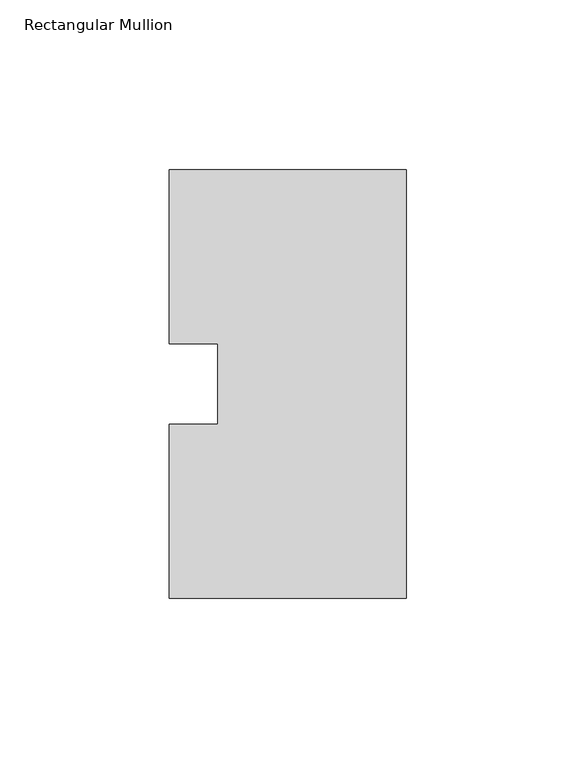
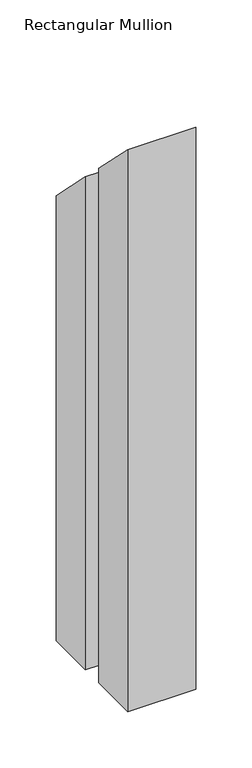
"""IFC4 building model written with IfcOpenShell, lengths in millimetres: member geometry, Rectangular Mullion."""

from ifc_helpers import new_model, si_unit, origin, place, context, project, spatial, faceted_brep, source, transform, mapped, element, save


def rectangular_mullion_be2de5e0(model_context):
    return source(origin(), model_context, "Body", "Brep", [
        faceted_brep([(-69.85, 0.26035, -609.6), (-69.85, 51.60645, -609.6), (-55.5625, 51.60645, -609.6), (-55.5625, 75.40625, -609.6), (-69.85, 75.40625, -609.6), (-69.85, 126.75235, -609.6), (0.0, 126.75235, -609.6), (0.0, 0.26035, -609.6), (0.0, 0.26035, -0.26035), (-69.85, 0.26035, -0.26035), (0.0, 126.75235, -126.75235), (-69.85, 126.75235, -126.75235), (-69.85, 75.40625, -75.40625), (-55.5625, 75.40625, -75.40625), (-55.5625, 51.60645, -51.60645), (-69.85, 51.60645, -51.60645)], [[[0, 1, 2, 3, 4, 5, 6, 7]], [[8, 9, 0, 7]], [[10, 8, 7, 6]], [[11, 10, 6, 5]], [[12, 11, 5, 4]], [[13, 12, 4, 3]], [[14, 13, 3, 2]], [[15, 14, 2, 1]], [[9, 15, 1, 0]], [[9, 8, 10, 11, 12, 13, 14, 15]]]),
    ])


if __name__ == "__main__":
    model = new_model("IFC4")
    model_context = context("Model", 3, world=origin())
    ifc_project = project(units=[si_unit("LENGTHUNIT", "METRE", prefix="MILLI")], contexts=[model_context])
    site = spatial("IfcSite", under=ifc_project)
    building = spatial("IfcBuilding", under=site)
    placement = place(None, origin())
    rectangular_mullion_shape = rectangular_mullion_be2de5e0(model_context)
    element("IfcMember", 1, ObjectType="Rectangular Mullion", at=placement, inside=building, context=model_context, shape_type="MappedRepresentation", body=[
        mapped(rectangular_mullion_shape, transform((0.0, 0.0, 0.0), x_axis=(1.0, 0.0, 0.0), y_axis=(0.0, 1.0, 0.0), z_axis=(0.0, 0.0, 1.0))),
    ])
    save(model, "model.ifc")
